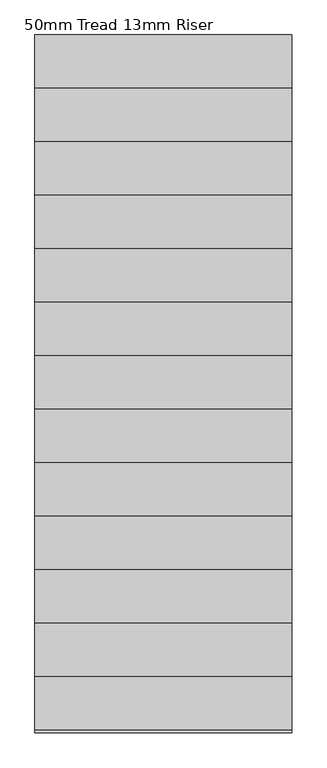
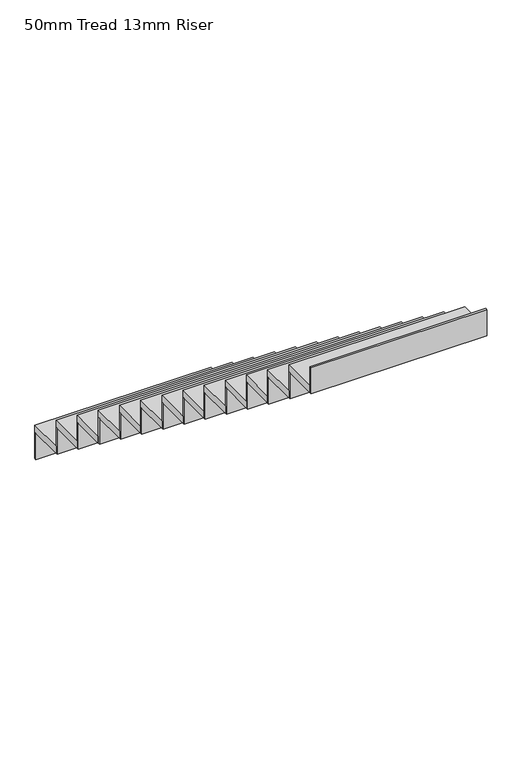
"""IFC4 building model written with IfcOpenShell, lengths in millimetres: stair flight geometry, 50mm Tread 13mm Riser."""

from ifc_helpers import new_model, si_unit, frame, origin, place, context, project, spatial, polyline, outline, extrude, source, transform, mapped, element, save


def stair_flight_50mm_tread_13mm_riser_3c300883(model_context):
    return source(origin(), model_context, "Body", "SweptSolid", [
        extrude(outline(polyline([(-20882.9044643, 2815.3449078), (-20882.9044643, 2827.8449078), (-19682.9044643, 2827.8449078), (-19682.9044643, 2815.3449078), (-20882.9044643, 2815.3449078)])), frame((0.0, 0.0, 2768.9655172), z_axis=(0.0, 0.0, 1.0), x_axis=(1.0, 0.0, 0.0)), (0.0, 0.0, 1.0), 187.9310345),
        extrude(outline(polyline([(-19682.9044643, 2577.8449078), (-20882.9044643, 2577.8449078), (-20882.9044643, 2827.8449078), (-19682.9044643, 2827.8449078), (-19682.9044643, 2577.8449078)])), frame((0.0, 0.0, 2956.8965517), z_axis=(0.0, 0.0, 1.0), x_axis=(1.0, 0.0, 0.0)), (0.0, 0.0, 1.0), 50.0),
        extrude(outline(polyline([(-20882.9044643, 2565.3449078), (-20882.9044643, 2577.8449078), (-19682.9044643, 2577.8449078), (-19682.9044643, 2565.3449078), (-20882.9044643, 2565.3449078)])), frame((0.0, 0.0, 2956.8965517), z_axis=(0.0, 0.0, 1.0), x_axis=(1.0, 0.0, 0.0)), (0.0, 0.0, 1.0), 187.9310345),
        extrude(outline(polyline([(-19682.9044643, 2327.8449078), (-20882.9044643, 2327.8449078), (-20882.9044643, 2577.8449078), (-19682.9044643, 2577.8449078), (-19682.9044643, 2327.8449078)])), frame((0.0, 0.0, 3144.8275862), z_axis=(0.0, 0.0, 1.0), x_axis=(1.0, 0.0, 0.0)), (0.0, 0.0, 1.0), 50.0),
        extrude(outline(polyline([(-20882.9044643, 2315.3449078), (-20882.9044643, 2327.8449078), (-19682.9044643, 2327.8449078), (-19682.9044643, 2315.3449078), (-20882.9044643, 2315.3449078)])), frame((0.0, 0.0, 3144.8275862), z_axis=(0.0, 0.0, 1.0), x_axis=(1.0, 0.0, 0.0)), (0.0, 0.0, 1.0), 187.9310345),
        extrude(outline(polyline([(-19682.9044643, 2077.8449078), (-20882.9044643, 2077.8449078), (-20882.9044643, 2327.8449078), (-19682.9044643, 2327.8449078), (-19682.9044643, 2077.8449078)])), frame((0.0, 0.0, 3332.7586207), z_axis=(0.0, 0.0, 1.0), x_axis=(1.0, 0.0, 0.0)), (0.0, 0.0, 1.0), 50.0),
        extrude(outline(polyline([(-20882.9044643, 2065.3449078), (-20882.9044643, 2077.8449078), (-19682.9044643, 2077.8449078), (-19682.9044643, 2065.3449078), (-20882.9044643, 2065.3449078)])), frame((0.0, 0.0, 3332.7586207), z_axis=(0.0, 0.0, 1.0), x_axis=(1.0, 0.0, 0.0)), (0.0, 0.0, 1.0), 187.9310345),
        extrude(outline(polyline([(-19682.9044643, 1827.8449078), (-20882.9044643, 1827.8449078), (-20882.9044643, 2077.8449078), (-19682.9044643, 2077.8449078), (-19682.9044643, 1827.8449078)])), frame((0.0, 0.0, 3520.6896552), z_axis=(0.0, 0.0, 1.0), x_axis=(1.0, 0.0, 0.0)), (0.0, 0.0, 1.0), 50.0),
        extrude(outline(polyline([(-20882.9044643, 1815.3449078), (-20882.9044643, 1827.8449078), (-19682.9044643, 1827.8449078), (-19682.9044643, 1815.3449078), (-20882.9044643, 1815.3449078)])), frame((0.0, 0.0, 3520.6896552), z_axis=(0.0, 0.0, 1.0), x_axis=(1.0, 0.0, 0.0)), (0.0, 0.0, 1.0), 187.9310345),
        extrude(outline(polyline([(-19682.9044643, 1577.8449078), (-20882.9044643, 1577.8449078), (-20882.9044643, 1827.8449078), (-19682.9044643, 1827.8449078), (-19682.9044643, 1577.8449078)])), frame((0.0, 0.0, 3708.6206897), z_axis=(0.0, 0.0, 1.0), x_axis=(1.0, 0.0, 0.0)), (0.0, 0.0, 1.0), 50.0),
        extrude(outline(polyline([(-20882.9044643, 1565.3449078), (-20882.9044643, 1577.8449078), (-19682.9044643, 1577.8449078), (-19682.9044643, 1565.3449078), (-20882.9044643, 1565.3449078)])), frame((0.0, 0.0, 3708.6206897), z_axis=(0.0, 0.0, 1.0), x_axis=(1.0, 0.0, 0.0)), (0.0, 0.0, 1.0), 187.9310345),
        extrude(outline(polyline([(-19682.9044643, 1327.8449078), (-20882.9044643, 1327.8449078), (-20882.9044643, 1577.8449078), (-19682.9044643, 1577.8449078), (-19682.9044643, 1327.8449078)])), frame((0.0, 0.0, 3896.5517241), z_axis=(0.0, 0.0, 1.0), x_axis=(1.0, 0.0, 0.0)), (0.0, 0.0, 1.0), 50.0),
        extrude(outline(polyline([(-20882.9044643, 1315.3449078), (-20882.9044643, 1327.8449078), (-19682.9044643, 1327.8449078), (-19682.9044643, 1315.3449078), (-20882.9044643, 1315.3449078)])), frame((0.0, 0.0, 3896.5517241), z_axis=(0.0, 0.0, 1.0), x_axis=(1.0, 0.0, 0.0)), (0.0, 0.0, 1.0), 187.9310345),
        extrude(outline(polyline([(-19682.9044643, 1077.8449078), (-20882.9044643, 1077.8449078), (-20882.9044643, 1327.8449078), (-19682.9044643, 1327.8449078), (-19682.9044643, 1077.8449078)])), frame((0.0, 0.0, 4084.4827586), z_axis=(0.0, 0.0, 1.0), x_axis=(1.0, 0.0, 0.0)), (0.0, 0.0, 1.0), 50.0),
        extrude(outline(polyline([(-20882.9044643, 1065.3449078), (-20882.9044643, 1077.8449078), (-19682.9044643, 1077.8449078), (-19682.9044643, 1065.3449078), (-20882.9044643, 1065.3449078)])), frame((0.0, 0.0, 4084.4827586), z_axis=(0.0, 0.0, 1.0), x_axis=(1.0, 0.0, 0.0)), (0.0, 0.0, 1.0), 187.9310345),
        extrude(outline(polyline([(-19682.9044643, 827.8449078), (-20882.9044643, 827.8449078), (-20882.9044643, 1077.8449078), (-19682.9044643, 1077.8449078), (-19682.9044643, 827.8449078)])), frame((0.0, 0.0, 4272.4137931), z_axis=(0.0, 0.0, 1.0), x_axis=(1.0, 0.0, 0.0)), (0.0, 0.0, 1.0), 50.0),
        extrude(outline(polyline([(-20882.9044643, 815.3449078), (-20882.9044643, 827.8449078), (-19682.9044643, 827.8449078), (-19682.9044643, 815.3449078), (-20882.9044643, 815.3449078)])), frame((0.0, 0.0, 4272.4137931), z_axis=(0.0, 0.0, 1.0), x_axis=(1.0, 0.0, 0.0)), (0.0, 0.0, 1.0), 187.9310345),
        extrude(outline(polyline([(-19682.9044643, 577.8449078), (-20882.9044643, 577.8449078), (-20882.9044643, 827.8449078), (-19682.9044643, 827.8449078), (-19682.9044643, 577.8449078)])), frame((0.0, 0.0, 4460.3448276), z_axis=(0.0, 0.0, 1.0), x_axis=(1.0, 0.0, 0.0)), (0.0, 0.0, 1.0), 50.0),
        extrude(outline(polyline([(-20882.9044643, 565.3449078), (-20882.9044643, 577.8449078), (-19682.9044643, 577.8449078), (-19682.9044643, 565.3449078), (-20882.9044643, 565.3449078)])), frame((0.0, 0.0, 4460.3448276), z_axis=(0.0, 0.0, 1.0), x_axis=(1.0, 0.0, 0.0)), (0.0, 0.0, 1.0), 187.9310345),
        extrude(outline(polyline([(-19682.9044643, 327.8449078), (-20882.9044643, 327.8449078), (-20882.9044643, 577.8449078), (-19682.9044643, 577.8449078), (-19682.9044643, 327.8449078)])), frame((0.0, 0.0, 4648.2758621), z_axis=(0.0, 0.0, 1.0), x_axis=(1.0, 0.0, 0.0)), (0.0, 0.0, 1.0), 50.0),
        extrude(outline(polyline([(-20882.9044643, 315.3449078), (-20882.9044643, 327.8449078), (-19682.9044643, 327.8449078), (-19682.9044643, 315.3449078), (-20882.9044643, 315.3449078)])), frame((0.0, 0.0, 4648.2758621), z_axis=(0.0, 0.0, 1.0), x_axis=(1.0, 0.0, 0.0)), (0.0, 0.0, 1.0), 187.9310345),
        extrude(outline(polyline([(-19682.9044643, 77.8449078), (-20882.9044643, 77.8449078), (-20882.9044643, 327.8449078), (-19682.9044643, 327.8449078), (-19682.9044643, 77.8449078)])), frame((0.0, 0.0, 4836.2068966), z_axis=(0.0, 0.0, 1.0), x_axis=(1.0, 0.0, 0.0)), (0.0, 0.0, 1.0), 50.0),
        extrude(outline(polyline([(-20882.9044643, 65.3449078), (-20882.9044643, 77.8449078), (-19682.9044643, 77.8449078), (-19682.9044643, 65.3449078), (-20882.9044643, 65.3449078)])), frame((0.0, 0.0, 4836.2068966), z_axis=(0.0, 0.0, 1.0), x_axis=(1.0, 0.0, 0.0)), (0.0, 0.0, 1.0), 187.9310345),
        extrude(outline(polyline([(-19682.9044643, -172.1550922), (-20882.9044643, -172.1550922), (-20882.9044643, 77.8449078), (-19682.9044643, 77.8449078), (-19682.9044643, -172.1550922)])), frame((0.0, 0.0, 5024.137931), z_axis=(0.0, 0.0, 1.0), x_axis=(1.0, 0.0, 0.0)), (0.0, 0.0, 1.0), 50.0),
        extrude(outline(polyline([(-20882.9044643, -184.6550922), (-20882.9044643, -172.1550922), (-19682.9044643, -172.1550922), (-19682.9044643, -184.6550922), (-20882.9044643, -184.6550922)])), frame((0.0, 0.0, 5024.137931), z_axis=(0.0, 0.0, 1.0), x_axis=(1.0, 0.0, 0.0)), (0.0, 0.0, 1.0), 187.9310345),
        extrude(outline(polyline([(-20882.9044643, -434.6550922), (-20882.9044643, -422.1550922), (-19682.9044643, -422.1550922), (-19682.9044643, -434.6550922), (-20882.9044643, -434.6550922)])), frame((0.0, 0.0, 5212.0689655), z_axis=(0.0, 0.0, 1.0), x_axis=(1.0, 0.0, 0.0)), (0.0, 0.0, 1.0), 187.9310345),
        extrude(outline(polyline([(-19682.9044643, -422.1550922), (-20882.9044643, -422.1550922), (-20882.9044643, -172.1550922), (-19682.9044643, -172.1550922), (-19682.9044643, -422.1550922)])), frame((0.0, 0.0, 5212.0689655), z_axis=(0.0, 0.0, 1.0), x_axis=(1.0, 0.0, 0.0)), (0.0, 0.0, 1.0), 50.0),
    ])


if __name__ == "__main__":
    model = new_model("IFC4")
    model_context = context("Model", 3, world=origin())
    ifc_project = project(units=[si_unit("LENGTHUNIT", "METRE", prefix="MILLI")], contexts=[model_context])
    site = spatial("IfcSite", under=ifc_project)
    building = spatial("IfcBuilding", under=site)
    placement = place(None, origin())
    stair_flight_50mm_tread_13mm_riser_shape = stair_flight_50mm_tread_13mm_riser_3c300883(model_context)
    element("IfcStairFlight", 1, ObjectType="50mm Tread 13mm Riser", at=placement, inside=building, context=model_context, shape_type="MappedRepresentation", body=[
        mapped(stair_flight_50mm_tread_13mm_riser_shape, transform((0.0, 0.0, 0.0), x_axis=(1.0, 0.0, 0.0), y_axis=(0.0, 1.0, 0.0), z_axis=(0.0, 0.0, 1.0))),
    ])
    save(model, "model.ifc")
